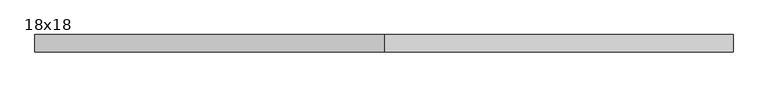
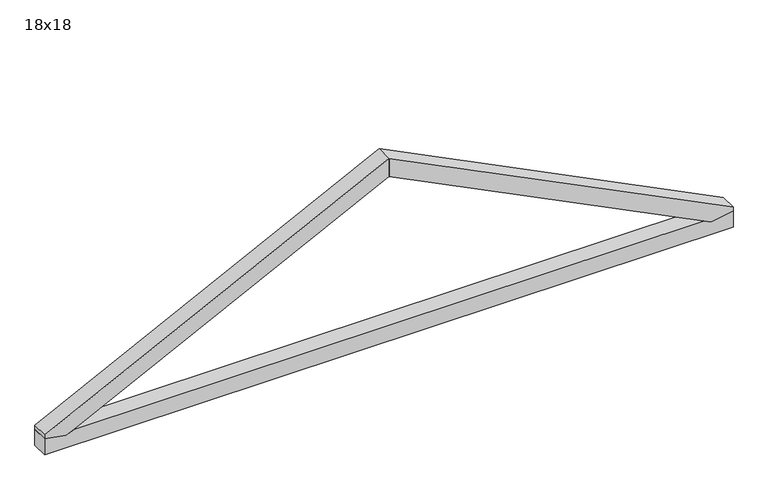
"""IFC4 building model written with IfcOpenShell, lengths in millimetres: beam geometry, 18x18."""

from ifc_helpers import new_model, si_unit, frame, origin, place, context, project, spatial, polyline, outline, extrude, source, transform, mapped, element, save


def beam_18x18_676e46f4(model_context):
    return source(origin(), model_context, "Body", "SweptSolid", [
        extrude(outline(polyline([(55.0, -3650.0), (-125.0, -3650.0), (-125.0, 3650.0), (55.0, 3650.0), (14.2646649, 3418.9784343), (55.0, 3337.507764), (55.0, -3337.507764), (14.2646649, -3418.9784343), (55.0, -3650.0)])), frame((0.0, -90.0, 0.0), z_axis=(0.0, 1.0, 0.0), x_axis=(0.0, 0.0, 1.0)), (0.0, 0.0, 1.0), 180.0),
        extrude(outline(polyline([(1923.3497405, 3.300519), (1722.9287523, 1.6502595), (14.2646649, 3418.9784343), (55.0, 3650.0), (100.0, 3650.0), (1923.3497405, 3.300519)])), frame((0.0, -90.0, 0.0), z_axis=(0.0, 1.0, 0.0), x_axis=(0.0, 0.0, 1.0)), (0.0, 0.0, 1.0), 180.0),
        extrude(outline(polyline([(1723.753882, 0.0), (1925.0, 0.0), (100.0, -3650.0), (55.0, -3650.0), (14.2646649, -3418.9784343), (1723.753882, 0.0)])), frame((0.0, -90.0, 0.0), z_axis=(0.0, 1.0, 0.0), x_axis=(0.0, 0.0, 1.0)), (0.0, 0.0, 1.0), 180.0),
    ])


if __name__ == "__main__":
    model = new_model("IFC4")
    model_context = context("Model", 3, world=origin())
    ifc_project = project(units=[si_unit("LENGTHUNIT", "METRE", prefix="MILLI")], contexts=[model_context])
    site = spatial("IfcSite", under=ifc_project)
    building = spatial("IfcBuilding", under=site)
    placement = place(None, origin())
    beam_18x18_shape = beam_18x18_676e46f4(model_context)
    element("IfcBeam", 1, ObjectType="18x18", at=placement, inside=building, context=model_context, shape_type="MappedRepresentation", body=[
        mapped(beam_18x18_shape, transform((0.0, 0.0, 0.0), x_axis=(1.0, 0.0, 0.0), y_axis=(0.0, 1.0, 0.0), z_axis=(0.0, 0.0, 1.0))),
    ])
    save(model, "model.ifc")
